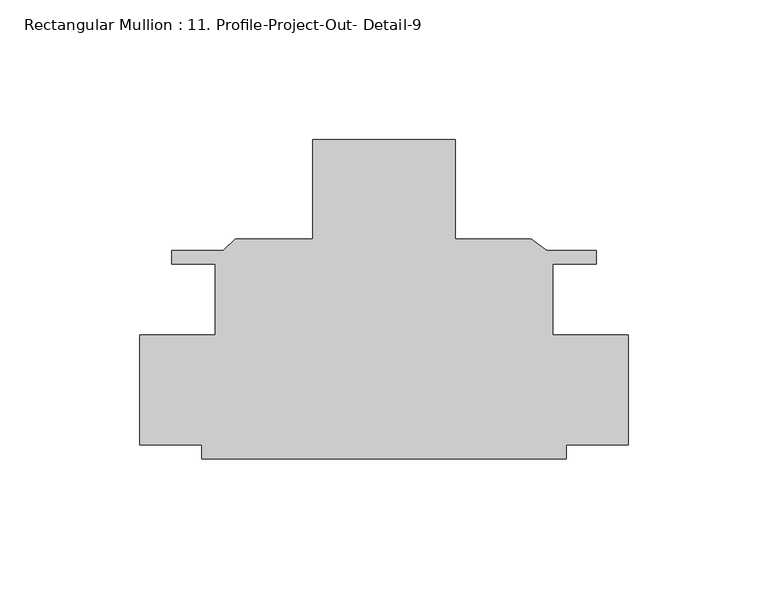
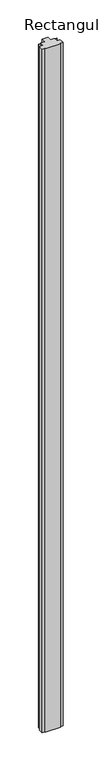
"""IFC4 building model written with IfcOpenShell, lengths in millimetres: member geometry, Rectangular Mullion : 11. Profile-Project-Out- Detail-9."""

from ifc_helpers import new_model, si_unit, frame, origin, place, context, project, spatial, polyline, outline, extrude, source, transform, mapped, element, save


def rectangular_mullion_11_profile_project_out_detail_9_2e74d49f(model_context):
    return source(origin(), model_context, "Body", "SweptSolid", [
        extrude(outline(polyline([(25.4495355, 57.1596739), (25.4495355, 21.6758532), (52.7377257, 21.6758532), (58.229649, 17.4086532), (75.8756851, 17.4086532), (75.8756851, 12.709653), (60.3756687, 12.709653), (60.3756687, -12.690347), (87.3620355, -12.690347), (87.3620355, -52.0603468), (65.1370355, -52.0603468), (65.1370355, -57.1403261), (-65.0379645, -57.1403261), (-65.0379645, -52.0603468), (-87.2629645, -52.0603468), (-87.2629645, -12.6903468), (-60.2854713, -12.6903468), (-60.2854713, 12.709653), (-75.7766141, 12.709653), (-75.7766141, 17.4086532), (-57.3941063, 17.4086532), (-53.1269063, 21.6758532), (-25.3504645, 21.6758532), (-25.3504645, 57.1596739), (25.4495355, 57.1596739)])), frame((0.0, 0.0, -6096.0), z_axis=(0.0, 0.0, 1.0), x_axis=(1.0, 0.0, 0.0)), (0.0, 0.0, 1.0), 6096.0),
    ])


if __name__ == "__main__":
    model = new_model("IFC4")
    model_context = context("Model", 3, world=origin())
    ifc_project = project(units=[si_unit("LENGTHUNIT", "METRE", prefix="MILLI")], contexts=[model_context])
    site = spatial("IfcSite", under=ifc_project)
    building = spatial("IfcBuilding", under=site)
    placement = place(None, origin())
    rectangular_mullion_11_profile_project_out_detail_9_shape = rectangular_mullion_11_profile_project_out_detail_9_2e74d49f(model_context)
    element("IfcMember", 1, ObjectType="Rectangular Mullion : 11. Profile-Project-Out- Detail-9", at=placement, inside=building, context=model_context, shape_type="MappedRepresentation", body=[
        mapped(rectangular_mullion_11_profile_project_out_detail_9_shape, transform((0.0, 0.0, 0.0), x_axis=(1.0, 0.0, 0.0), y_axis=(0.0, 1.0, 0.0), z_axis=(0.0, 0.0, 1.0))),
    ])
    save(model, "model.ifc")
